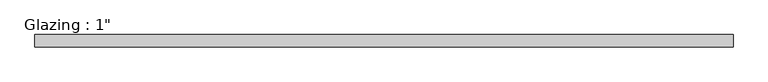
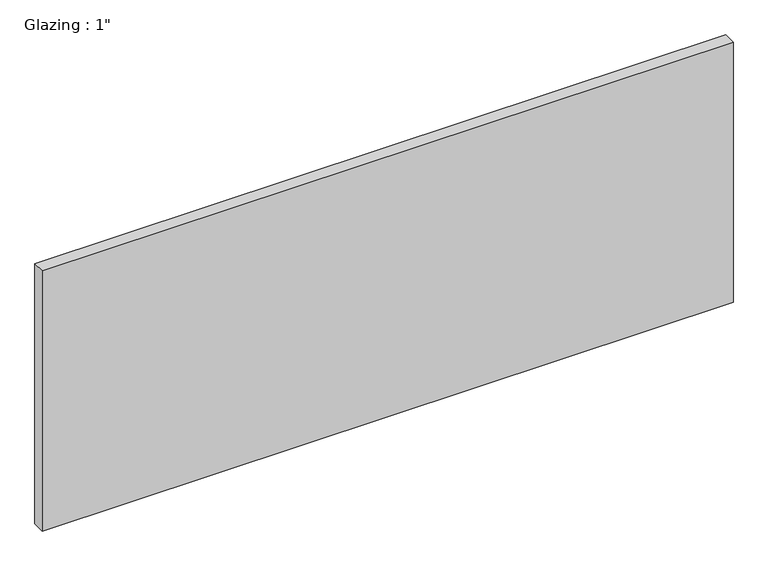
"""IFC4 building model written with IfcOpenShell, lengths in millimetres: plate geometry."""

from ifc_helpers import new_model, si_unit, origin, origin_with_axes, place, context, project, spatial, polyline, outline, extrude, source, transform, mapped, element, save


def plate_de078f36(model_context):
    return source(origin(), model_context, "Body", "SweptSolid", [
        extrude(outline(polyline([(707.3789731, -12.7), (-707.3789731, -12.7), (-707.3789731, 12.7), (707.3789731, 12.7), (707.3789731, -12.7)])), origin_with_axes(), (0.0, 0.0, 1.0), 563.17901),
    ])


if __name__ == "__main__":
    model = new_model("IFC4")
    model_context = context("Model", 3, world=origin())
    ifc_project = project(units=[si_unit("LENGTHUNIT", "METRE", prefix="MILLI")], contexts=[model_context])
    site = spatial("IfcSite", under=ifc_project)
    building = spatial("IfcBuilding", under=site)
    placement = place(None, origin())
    plate_shape = plate_de078f36(model_context)
    element("IfcPlate", 1, ObjectType="Glazing : 1\"", at=placement, inside=building, context=model_context, shape_type="MappedRepresentation", body=[
        mapped(plate_shape, transform((0.0, 0.0, 0.0), x_axis=(1.0, 0.0, 0.0), y_axis=(0.0, 1.0, 0.0), z_axis=(0.0, 0.0, 1.0))),
    ])
    save(model, "model.ifc")
